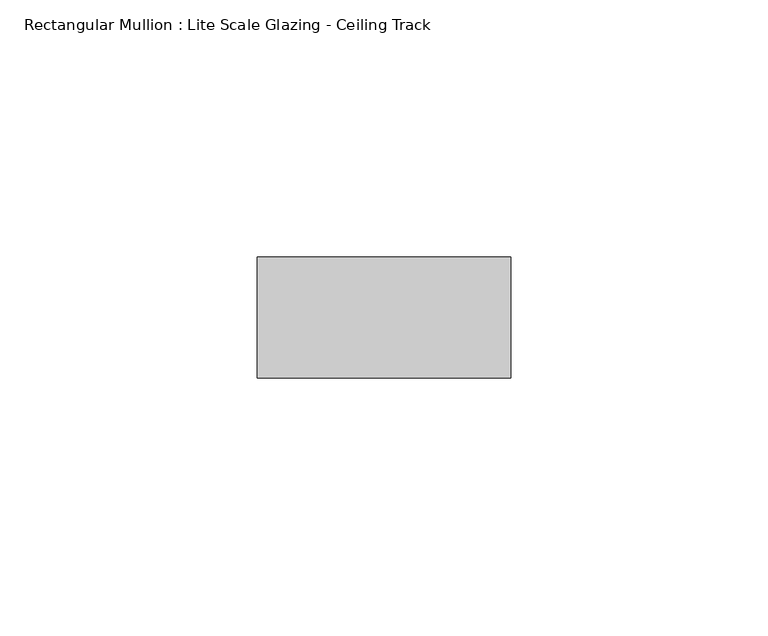
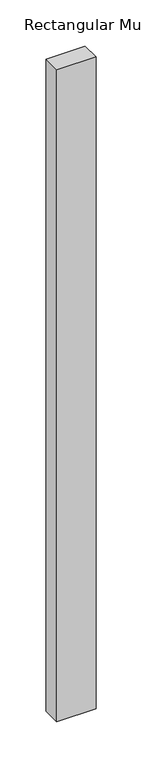
"""IFC4 building model written with IfcOpenShell, lengths in millimetres: member geometry, Rectangular Mullion : Lite Scale Glazing - Ceiling Track."""

from ifc_helpers import new_model, si_unit, frame, origin, place, context, project, spatial, polyline, outline, extrude, source, transform, mapped, element, save


def rectangular_mullion_lite_scale_glazing_ceiling_track_1a423c16(model_context):
    return source(origin(), model_context, "Body", "SweptSolid", [
        extrude(outline(polyline([(-49.276, -11.7474999), (-49.276, 11.7474999), (0.0, 11.7474999), (0.0, -11.7474999), (-49.276, -11.7474999)])), frame((0.0, 0.0, -863.6), z_axis=(0.0, 0.0, 1.0), x_axis=(1.0, 0.0, 0.0)), (0.0, 0.0, 1.0), 863.6),
    ])


if __name__ == "__main__":
    model = new_model("IFC4")
    model_context = context("Model", 3, world=origin())
    ifc_project = project(units=[si_unit("LENGTHUNIT", "METRE", prefix="MILLI")], contexts=[model_context])
    site = spatial("IfcSite", under=ifc_project)
    building = spatial("IfcBuilding", under=site)
    placement = place(None, origin())
    rectangular_mullion_lite_scale_glazing_ceiling_track_shape = rectangular_mullion_lite_scale_glazing_ceiling_track_1a423c16(model_context)
    element("IfcMember", 1, ObjectType="Rectangular Mullion : Lite Scale Glazing - Ceiling Track", at=placement, inside=building, context=model_context, shape_type="MappedRepresentation", body=[
        mapped(rectangular_mullion_lite_scale_glazing_ceiling_track_shape, transform((0.0, 0.0, 0.0), x_axis=(1.0, 0.0, 0.0), y_axis=(0.0, 1.0, 0.0), z_axis=(0.0, 0.0, 1.0))),
    ])
    save(model, "model.ifc")
